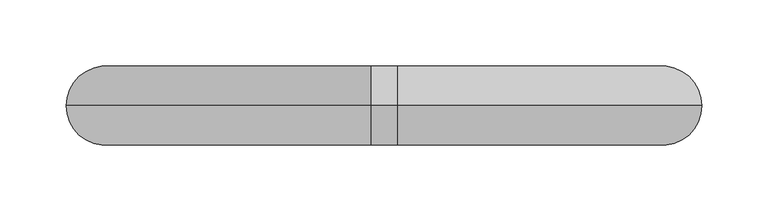
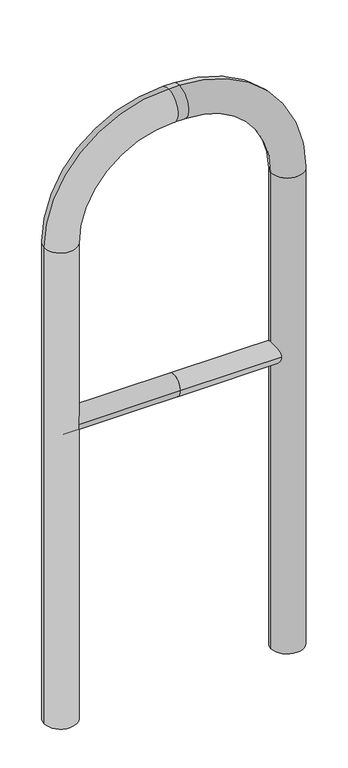
"""IFC4 building model written with IfcOpenShell, lengths in millimetres: proxy geometry."""

import ifcopenshell
import ifcopenshell.guid

model = None  # the IFC model being written
_history = None  # IfcOwnerHistory: only IFC2X3 demands one
_inside = {}  # id of a spatial element -> (the spatial element, [elements in it])
_under = {}  # id of a project, library or spatial element -> (it, [spatial elements below it])
_declared = {}  # id of a project -> (the project, [libraries it declares])
_typed = {}  # id of a type object -> (the type object, [elements of that type])
_made_of = {}  # id of a material, layer set ... -> (it, [elements and type objects made of it])


def new_model(schema):
    """Start an empty IFC model of exactly this schema.

    Asked for "IFC4X3", IfcOpenShell would pick the latest addendum, in which some entities
    have other attributes; the version numbers below select the first issue.
    IFC2X3 requires an IfcOwnerHistory on every rooted entity: one is made here for all.
    """
    global model, _history
    if schema == "IFC4X3":
        model = ifcopenshell.file(schema_version=(4, 3, 0, 0))
    else:
        model = ifcopenshell.file(schema=schema)
    _inside.clear()
    _under.clear()
    _declared.clear()
    _typed.clear()
    _made_of.clear()
    _history = None
    if model.schema == "IFC2X3":
        org = make("IfcOrganization", Name="unknown")
        user = make(
            "IfcPersonAndOrganization",
            ThePerson=make("IfcPerson", FamilyName="unknown"),
            TheOrganization=org,
        )
        app = make(
            "IfcApplication",
            ApplicationDeveloper=org,
            Version="unknown",
            ApplicationFullName="unknown",
            ApplicationIdentifier="unknown",
        )
        _history = make(
            "IfcOwnerHistory",
            OwningUser=user,
            OwningApplication=app,
            ChangeAction="ADDED",
            CreationDate=0,
        )
    return model


def make(cls, **values):
    """One entity of the class cls with the attributes given. An attribute that is None is left unset."""
    return model.create_entity(
        cls, **{name: value for name, value in values.items() if value is not None}
    )


def rooted(cls, **values):
    """An entity with a GlobalId (a new one), such as an element, a storey or a relation."""
    return make(cls, GlobalId=ifcopenshell.guid.new(), OwnerHistory=_history, **values)


def si_unit(unit_type, name, prefix=None):
    """IfcSIUnit, for example si_unit("LENGTHUNIT", "METRE", prefix="MILLI")."""
    return make("IfcSIUnit", UnitType=unit_type, Prefix=prefix, Name=name)


def assignment(units):
    """IfcUnitAssignment: the units of a project."""
    return None if units is None else make("IfcUnitAssignment", Units=units)


def point(xyz):
    """IfcCartesianPoint."""
    return None if xyz is None else make("IfcCartesianPoint", Coordinates=xyz)


def direction(xyz):
    """IfcDirection."""
    return None if xyz is None else make("IfcDirection", DirectionRatios=xyz)


def frame(location, z_axis=None, x_axis=None):
    """IfcAxis2Placement3D, a coordinate frame: its origin and axes. An axis left out is left unset."""
    return make(
        "IfcAxis2Placement3D",
        Location=point(location),
        Axis=direction(z_axis),
        RefDirection=direction(x_axis),
    )


def frame_2d(location, x_axis=None):
    """IfcAxis2Placement2D, a coordinate frame in the plane: its origin and x axis."""
    return make(
        "IfcAxis2Placement2D", Location=point(location), RefDirection=direction(x_axis)
    )


def origin():
    """The frame at (0, 0, 0) with its axes left unset."""
    return frame((0.0, 0.0, 0.0))


def place(relative_to, where):
    """IfcLocalPlacement: puts the frame where relative to a parent placement (None: the world)."""
    return make(
        "IfcLocalPlacement", PlacementRelTo=relative_to, RelativePlacement=where
    )


def context(
    kind, dimensions, precision=None, world=None, true_north=None, identifier=None
):
    """IfcGeometricRepresentationContext, for example the 3D "Model" context."""
    return make(
        "IfcGeometricRepresentationContext",
        ContextIdentifier=identifier,
        ContextType=kind,
        CoordinateSpaceDimension=dimensions,
        Precision=precision,
        WorldCoordinateSystem=world,
        TrueNorth=true_north,
    )


def project(units=None, contexts=None):
    """IfcProject with its units and contexts."""
    return rooted(
        "IfcProject",
        Name="project",
        RepresentationContexts=contexts,
        UnitsInContext=assignment(units),
    )


def spatial(cls, under=None, at=None, **own):
    """A site, building, storey or space (cls), placed at a placement, below another one or the project."""
    s = rooted(cls, ObjectPlacement=at, **own)
    if under is not None:
        _under.setdefault(under.id(), (under, []))[1].append(s)
    return s


def circle_curve(where, radius):
    """IfcCircle in the frame where."""
    return make("IfcCircle", Position=where, Radius=radius)


def ellipse_curve(where, semi_axis1, semi_axis2):
    """IfcEllipse in the frame where."""
    return make(
        "IfcEllipse", Position=where, SemiAxis1=semi_axis1, SemiAxis2=semi_axis2
    )


def trimmed(basis, trim1, trim2, sense, master):
    """IfcTrimmedCurve: the piece of a basis curve between two trims."""
    return make(
        "IfcTrimmedCurve",
        BasisCurve=basis,
        Trim1=trim1,
        Trim2=trim2,
        SenseAgreement=sense,
        MasterRepresentation=master,
    )


def segment(curve, same_sense, transition):
    """IfcCompositeCurveSegment."""
    return make(
        "IfcCompositeCurveSegment",
        Transition=transition,
        SameSense=same_sense,
        ParentCurve=curve,
    )


def composite_curve(segments, self_intersect=None):
    """IfcCompositeCurve: segments joined end to end."""
    return make("IfcCompositeCurve", Segments=segments, SelfIntersect=self_intersect)


def outline(outer, holes=None, kind="AREA"):
    """IfcArbitraryClosedProfileDef: a profile drawn as a closed curve; with holes, ...WithVoids."""
    if holes is None:
        return make("IfcArbitraryClosedProfileDef", ProfileType=kind, OuterCurve=outer)
    return make(
        "IfcArbitraryProfileDefWithVoids",
        ProfileType=kind,
        OuterCurve=outer,
        InnerCurves=holes,
    )


def extrude(swept, where, along, depth):
    """IfcExtrudedAreaSolid: the profile swept, set in the frame where, extruded along a direction by depth."""
    return make(
        "IfcExtrudedAreaSolid",
        SweptArea=swept,
        Position=where,
        ExtrudedDirection=direction(along),
        Depth=depth,
    )


def shape(context_of_items, identifier, shape_type, items):
    """IfcShapeRepresentation: the items that make up one representation, for example the "Body"."""
    return make(
        "IfcShapeRepresentation",
        ContextOfItems=context_of_items,
        RepresentationIdentifier=identifier,
        RepresentationType=shape_type,
        Items=items,
    )


def source(mapping_origin, context_of_items, identifier, shape_type, items):
    """IfcRepresentationMap: a shape defined once, which mapped items show again and again."""
    return make(
        "IfcRepresentationMap",
        MappingOrigin=mapping_origin,
        MappedRepresentation=shape(context_of_items, identifier, shape_type, items),
    )


def transform(
    local_origin,
    x_axis=None,
    y_axis=None,
    z_axis=None,
    scale=None,
    scale2=None,
    scale3=None,
    uniform=True,
):
    """IfcCartesianTransformationOperator3D, or its non-uniform kind. x_axis, y_axis, z_axis: its Axis1, 2, 3."""
    if uniform:
        return make(
            "IfcCartesianTransformationOperator3D",
            Axis1=direction(x_axis),
            Axis2=direction(y_axis),
            LocalOrigin=point(local_origin),
            Scale=scale,
            Axis3=direction(z_axis),
        )
    return make(
        "IfcCartesianTransformationOperator3DnonUniform",
        Axis1=direction(x_axis),
        Axis2=direction(y_axis),
        LocalOrigin=point(local_origin),
        Scale=scale,
        Axis3=direction(z_axis),
        Scale2=scale2,
        Scale3=scale3,
    )


def mapped(mapping_source, mapping_target):
    """IfcMappedItem: shows the shape of a source again, moved by a transform."""
    return make(
        "IfcMappedItem", MappingSource=mapping_source, MappingTarget=mapping_target
    )


def made_of(thing, what):
    """Note that an element or type object is made of a material, layer set ...; save() writes the relation."""
    if what is not None:
        _made_of.setdefault(what.id(), (what, []))[1].append(thing)
    return thing


def element(
    cls,
    number,
    at=None,
    inside=None,
    cuts=None,
    type_object=None,
    material=None,
    context=None,
    identifier="Body",
    shape_type=None,
    held_by="IfcProductDefinitionShape",
    body=None,
    shapes=None,
    **own,
):
    """One element of the class cls, such as IfcWall. Its Tag is "e" and its number.

    at: its placement. inside: the storey or other place that contains it. cuts: it is an
    opening in that element (IfcRelVoidsElement). A single representation is given by context,
    identifier, shape_type and body (its items); several are given by shapes. held_by: the class
    of the entity that holds the representations. save() writes the other relations.
    """
    e = rooted(cls, Tag="e%d" % number, ObjectPlacement=at, **own)
    if body is not None:
        shapes = [shape(context, identifier, shape_type, body)]
    if shapes is not None:
        e.Representation = make(held_by, Representations=shapes)
    if inside is not None:
        _inside.setdefault(inside.id(), (inside, []))[1].append(e)
    if cuts is not None:
        rooted(
            "IfcRelVoidsElement", RelatingBuildingElement=cuts, RelatedOpeningElement=e
        )
    if type_object is not None:
        _typed.setdefault(type_object.id(), (type_object, []))[1].append(e)
    return made_of(e, material)


def aggregate(whole, parts):
    """IfcRelAggregates: a whole, such as a stair, and the parts it consists of."""
    return rooted("IfcRelAggregates", RelatingObject=whole, RelatedObjects=parts)


def save(model, path):
    """Write the relations noted so far, then the file.

    IfcRelAggregates (storeys below a building ...), IfcRelContainedInSpatialStructure (elements
    in a storey), IfcRelDefinesByType, IfcRelAssociatesMaterial and IfcRelDeclares: one each for
    every whole, place, type object, material and project.
    """
    for whole, parts in _under.values():
        aggregate(whole, parts)
    for where, things in _inside.values():
        rooted(
            "IfcRelContainedInSpatialStructure",
            RelatedElements=things,
            RelatingStructure=where,
        )
    for kind, things in _typed.values():
        rooted("IfcRelDefinesByType", RelatedObjects=things, RelatingType=kind)
    for what, things in _made_of.values():
        rooted("IfcRelAssociatesMaterial", RelatedObjects=things, RelatingMaterial=what)
    for by, libraries in _declared.values():
        rooted("IfcRelDeclares", RelatingContext=by, RelatedDefinitions=libraries)
    model.write(path)


def plane_surface(at):
    """IfcPlane: the flat surface through the origin of the frame at, square to its z axis."""
    return make("IfcPlane", Position=at)


def cylinder_surface(at, radius):
    """IfcCylindricalSurface: all points at the distance radius from the z axis of the frame at."""
    return make("IfcCylindricalSurface", Position=at, Radius=radius)


def revolved_surface(curve, axis_point, axis_direction):
    """IfcSurfaceOfRevolution: the curve turned about the line through axis_point along axis_direction."""
    return make(
        "IfcSurfaceOfRevolution",
        SweptCurve=make("IfcArbitraryOpenProfileDef", ProfileType="CURVE", Curve=curve),
        AxisPosition=make("IfcAxis1Placement", Location=point(axis_point), Axis=direction(axis_direction)),
    )


def advanced_brep(points, edges, surfaces, faces):
    """IfcAdvancedBrep: a solid bounded by faces that lie on surfaces and meet in shared edges.

    An edge is (start, end): straight between two places in points (the first is 0);
    or (start, end, curve); or (start, end, curve, False) where it runs against its curve.
    A face is (place in surfaces, loops), or (place, loops, False) where it looks against
    its surface's normal. A loop lists edges by number (the first is 1), with a minus sign
    where the edge is run from its end to its start. The first loop is the outer one.
    """
    corners = [point(p) for p in points]
    vertices = [make("IfcVertexPoint", VertexGeometry=c) for c in corners]
    made = []
    for start, end, *more in edges:
        made.append(
            make(
                "IfcEdgeCurve",
                EdgeStart=vertices[start],
                EdgeEnd=vertices[end],
                EdgeGeometry=more[0] if more else make("IfcPolyline", Points=[corners[start], corners[end]]),
                SameSense=more[1] if len(more) > 1 else True,
            )
        )
    hull = []
    for where, loops, *sense in faces:
        bounds = []
        for j, loop in enumerate(loops):
            ring = [make("IfcOrientedEdge", EdgeElement=made[abs(k) - 1], Orientation=k > 0) for k in loop]
            bounds.append(
                make(
                    "IfcFaceOuterBound" if j == 0 else "IfcFaceBound",
                    Bound=make("IfcEdgeLoop", EdgeList=ring),
                    Orientation=True,
                )
            )
        hull.append(make("IfcAdvancedFace", Bounds=bounds, FaceSurface=surfaces[where], SameSense=sense[0] if sense else True))
    return make("IfcAdvancedBrep", Outer=make("IfcClosedShell", CfsFaces=hull))


def generic_models_9ac7371a(model_context):
    return source(origin(), model_context, "Body", "SolidModel", [
        extrude(outline(composite_curve([segment(trimmed(circle_curve(frame_2d((0.0, 498.4778375)), 20.0), [point((-20.0, 498.4778375))], [point((20.0, 498.4778375))], False, "CARTESIAN"), True, "CONTINUOUS"), segment(trimmed(circle_curve(frame_2d((0.0, 498.4778375)), 20.0), [point((20.0, 498.4778375))], [point((-20.0, 498.4778375))], False, "CARTESIAN"), True, "CONTINUOUS")], self_intersect=False)), frame((-210.0, 0.0, 0.0), z_axis=(1.0, 0.0, 0.0), x_axis=(0.0, 1.0, 0.0)), (0.0, 0.0, 1.0), 210.0),
        extrude(outline(composite_curve([segment(trimmed(circle_curve(frame_2d((0.0, 498.4778375)), 20.0), [point((-20.0, 498.4778375))], [point((20.0, 498.4778375))], False, "CARTESIAN"), True, "CONTINUOUS"), segment(trimmed(circle_curve(frame_2d((0.0, 498.4778375)), 20.0), [point((20.0, 498.4778375))], [point((-20.0, 498.4778375))], False, "CARTESIAN"), True, "CONTINUOUS")], self_intersect=False)), frame((0.0, 0.0, 0.0), z_axis=(1.0, 0.0, 0.0), x_axis=(0.0, 1.0, 0.0)), (0.0, 0.0, 1.0), 210.0),
        advanced_brep(
        [(-180.0, 0.0, -80.0), (-240.0, 0.0, -80.0), (-180.0, 0.0, 850.0), (-240.0, 0.0, 850.0), (-10.0, 0.0, 1080.0), (-10.0, 0.0, 1020.0), (10.0, 0.0, 1020.0), (10.0, 0.0, 1080.0), (240.0, 0.0, 850.0), (180.0, 0.0, 850.0), (180.0, 0.0, -80.0), (240.0, 0.0, -80.0)],
        [
            (0, 1, circle_curve(frame((-210.0, 0.0, -80.0), z_axis=(0.0, 0.0, -1.0), x_axis=(-1.0, 0.0, 0.0)), 30.0)),
            (1, 0, circle_curve(frame((-210.0, 0.0, -80.0), z_axis=(0.0, 0.0, -1.0), x_axis=(-1.0, 0.0, 0.0)), 30.0)),
            (0, 2),
            (2, 3, circle_curve(frame((-210.0, 0.0, 850.0), z_axis=(0.0, 0.0, -1.0), x_axis=(-1.0, 0.0, 0.0)), 30.0)),
            (3, 1),
            (3, 2, circle_curve(frame((-210.0, 0.0, 850.0), z_axis=(0.0, 0.0, -1.0), x_axis=(-1.0, 0.0, 0.0)), 30.0)),
            (4, 3, circle_curve(frame((-10.0, 0.0, 850.0), z_axis=(0.0, -1.0, 0.0), x_axis=(-1.0, 0.0, 0.0)), 230.0)),
            (2, 5, circle_curve(frame((-10.0, 0.0, 850.0), z_axis=(0.0, 1.0, 0.0), x_axis=(-1.0, 0.0, 0.0)), 170.0)),
            (5, 4, circle_curve(frame((-10.0, 0.0, 1050.0), z_axis=(-1.0, 0.0, 0.0), x_axis=(0.0, 0.0, 1.0)), 30.0)),
            (4, 5, circle_curve(frame((-10.0, 0.0, 1050.0), z_axis=(-1.0, 0.0, 0.0), x_axis=(0.0, 0.0, 1.0)), 30.0)),
            (5, 6),
            (6, 7, circle_curve(frame((10.0, 0.0, 1050.0), z_axis=(-1.0, 0.0, 0.0), x_axis=(0.0, 0.0, 1.0)), 30.0)),
            (7, 4),
            (7, 6, circle_curve(frame((10.0, 0.0, 1050.0), z_axis=(-1.0, 0.0, 0.0), x_axis=(0.0, 0.0, 1.0)), 30.0)),
            (8, 7, circle_curve(frame((10.0, 0.0, 850.0), z_axis=(0.0, -1.0, 0.0), x_axis=(0.0, 0.0, 1.0)), 230.0)),
            (6, 9, circle_curve(frame((10.0, 0.0, 850.0), z_axis=(0.0, 1.0, 0.0), x_axis=(0.0, 0.0, 1.0)), 170.0)),
            (9, 8, circle_curve(frame((210.0, 0.0, 850.0), z_axis=(0.0, 0.0, 1.0), x_axis=(1.0, 0.0, 0.0)), 30.0)),
            (8, 9, circle_curve(frame((210.0, 0.0, 850.0), z_axis=(0.0, 0.0, 1.0), x_axis=(1.0, 0.0, 0.0)), 30.0)),
            (10, 11, circle_curve(frame((210.0, 0.0, -80.0), z_axis=(0.0, 0.0, -1.0), x_axis=(1.0, 0.0, 0.0)), 30.0)),
            (11, 10, circle_curve(frame((210.0, 0.0, -80.0), z_axis=(0.0, 0.0, -1.0), x_axis=(1.0, 0.0, 0.0)), 30.0)),
            (9, 10),
            (11, 8),
        ],
        [
            plane_surface(frame((-210.0, 0.0, -80.0), z_axis=(0.0, 0.0, -1.0), x_axis=(0.0, -1.0, 0.0))),
            cylinder_surface(frame((-210.0, 0.0, -80.0), z_axis=(0.0, 0.0, -1.0), x_axis=(-1.0, 0.0, 0.0)), 30.0),
            revolved_surface(trimmed(ellipse_curve(frame((-210.0, 0.0, 850.0), z_axis=(0.0, 0.0, -1.0), x_axis=(-1.0, 0.0, 0.0)), 30.0, 30.0), [point((-180.0, 0.0, 850.0))], [point((-240.0, 0.0, 850.0))], True, "CARTESIAN"), (-10.0, 0.0, 850.0), (0.0, 1.0, 0.0)),
            revolved_surface(trimmed(ellipse_curve(frame((-210.0, 0.0, 850.0), z_axis=(0.0, 0.0, -1.0), x_axis=(-1.0, 0.0, 0.0)), 30.0, 30.0), [point((-240.0, 0.0, 850.0))], [point((-180.0, 0.0, 850.0))], True, "CARTESIAN"), (-10.0, 0.0, 850.0), (0.0, 1.0, 0.0)),
            cylinder_surface(frame((-10.0, 0.0, 1050.0), z_axis=(-1.0, 0.0, 0.0), x_axis=(0.0, 0.0, 1.0)), 30.0),
            revolved_surface(trimmed(ellipse_curve(frame((10.0, 0.0, 1050.0), z_axis=(-1.0, 0.0, 0.0), x_axis=(0.0, 0.0, 1.0)), 30.0, 30.0), [point((10.0, 0.0, 1020.0))], [point((10.0, 0.0, 1080.0))], True, "CARTESIAN"), (10.0, 0.0, 850.0), (0.0, 1.0, 0.0)),
            revolved_surface(trimmed(ellipse_curve(frame((10.0, 0.0, 1050.0), z_axis=(-1.0, 0.0, 0.0), x_axis=(0.0, 0.0, 1.0)), 30.0, 30.0), [point((10.0, 0.0, 1080.0))], [point((10.0, 0.0, 1020.0))], True, "CARTESIAN"), (10.0, 0.0, 850.0), (0.0, 1.0, 0.0)),
            plane_surface(frame((210.0, 0.0, -80.0), z_axis=(0.0, 0.0, -1.0), x_axis=(0.0, -1.0, 0.0))),
            cylinder_surface(frame((210.0, 0.0, 850.0), z_axis=(0.0, 0.0, 1.0), x_axis=(1.0, 0.0, 0.0)), 30.0),
        ],
        [
            (0, [[1, 2]]),
            (1, [[-1, 3, 4, 5]]),
            (1, [[-2, -5, 6, -3]]),
            (2, [[7, -4, 8, 9]]),
            (3, [[-8, -6, -7, 10]]),
            (4, [[-9, 11, 12, 13]]),
            (4, [[-10, -13, 14, -11]]),
            (5, [[15, -12, 16, 17]]),
            (6, [[-16, -14, -15, 18]]),
            (7, [[19, 20]]),
            (8, [[-17, 21, -20, 22]]),
            (8, [[-18, -22, -19, -21]]),
        ],
    ),
    ])


if __name__ == "__main__":
    model = new_model("IFC4")
    model_context = context("Model", 3, world=origin())
    ifc_project = project(units=[si_unit("LENGTHUNIT", "METRE", prefix="MILLI")], contexts=[model_context])
    site = spatial("IfcSite", under=ifc_project)
    building = spatial("IfcBuilding", under=site)
    placement = place(None, origin())
    generic_models_shape = generic_models_9ac7371a(model_context)
    element("IfcBuildingElementProxy", 1, Name="Generic Models", at=placement, inside=building, context=model_context, shape_type="MappedRepresentation", body=[
        mapped(generic_models_shape, transform((0.0, 0.0, 0.0), x_axis=(1.0, 0.0, 0.0), y_axis=(0.0, 1.0, 0.0), z_axis=(0.0, 0.0, 1.0))),
    ])
    save(model, "model.ifc")
